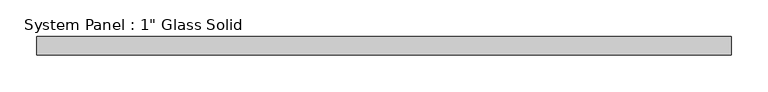
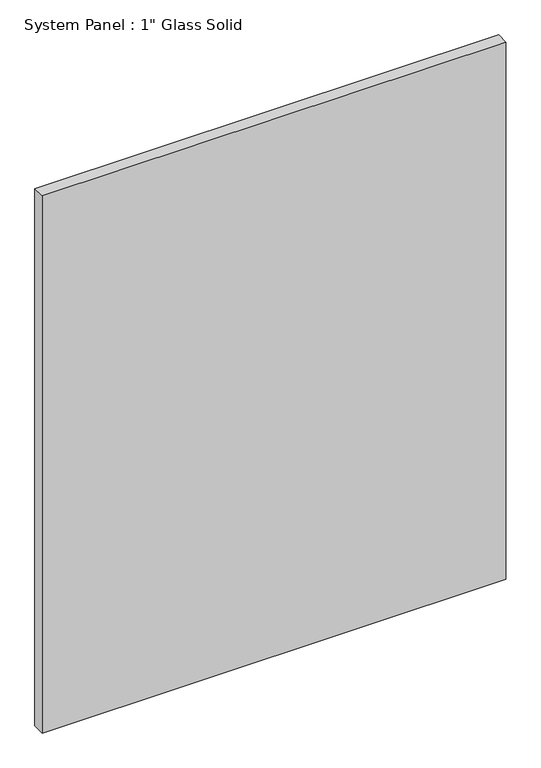
"""IFC4 building model written with IfcOpenShell, lengths in millimetres: plate geometry."""

from ifc_helpers import new_model, si_unit, origin, origin_with_axes, place, context, project, spatial, polyline, outline, extrude, source, transform, mapped, element, save


def plate_fa6af770(model_context):
    return source(origin(), model_context, "Body", "SweptSolid", [
        extrude(outline(polyline([(473.0758852, -12.7), (-473.0758852, -12.7), (-473.0758852, 12.7), (473.0758852, 12.7), (473.0758852, -12.7)])), origin_with_axes(), (0.0, 0.0, 1.0), 1158.8767704),
    ])


if __name__ == "__main__":
    model = new_model("IFC4")
    model_context = context("Model", 3, world=origin())
    ifc_project = project(units=[si_unit("LENGTHUNIT", "METRE", prefix="MILLI")], contexts=[model_context])
    site = spatial("IfcSite", under=ifc_project)
    building = spatial("IfcBuilding", under=site)
    placement = place(None, origin())
    plate_shape = plate_fa6af770(model_context)
    element("IfcPlate", 1, ObjectType="System Panel : 1\" Glass Solid", at=placement, inside=building, context=model_context, shape_type="MappedRepresentation", body=[
        mapped(plate_shape, transform((0.0, 0.0, 0.0), x_axis=(1.0, 0.0, 0.0), y_axis=(0.0, 1.0, 0.0), z_axis=(0.0, 0.0, 1.0))),
    ])
    save(model, "model.ifc")
